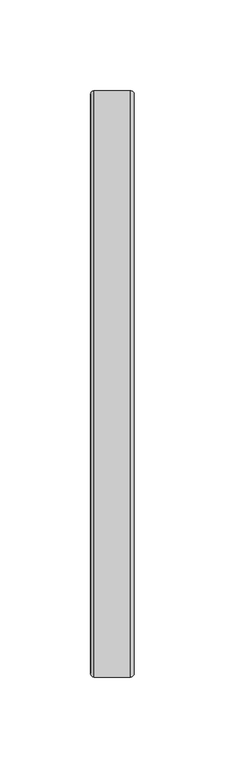
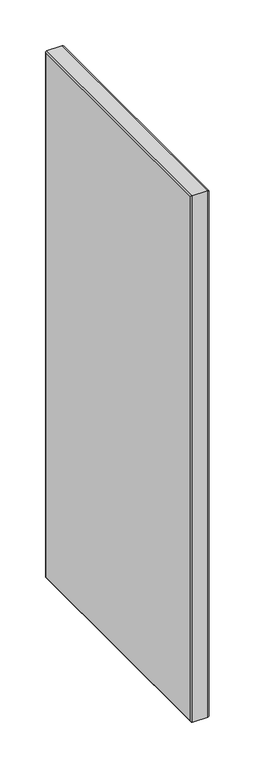
"""IFC4 building model written with IfcOpenShell, lengths in millimetres: furniture geometry."""

from ifc_helpers import new_model, si_unit, frame, origin, place, context, project, spatial, polyline, ellipse_curve, outline, extrude, source, transform, mapped, element, save
from ifc_brep_helpers import plane_surface, cylinder_surface, advanced_brep


def furniture_b4161300(model_context):
    return source(origin(), model_context, "Body", "SolidModel", [
        extrude(outline(polyline([(0.0254, -247.1166), (0.0254, 71.9582), (24.0253997, 71.9582), (24.0253997, -247.1166), (0.0254, -247.1166)])), frame((0.0, 0.0, 1.9812), z_axis=(0.0, 0.0, 1.0), x_axis=(1.0, 0.0, 0.0)), (0.0, 0.0, 1.0), 707.2122),
        advanced_brep(
        [(24.0253997, -247.1166, 709.1934), (22.0187997, -249.1232, 711.2), (22.0187997, -249.1232, -0.0254), (24.0253997, -247.1166, 1.9812), (2.032, -249.1232, 711.2), (2.032, -249.1232, -0.0254), (0.0254, -247.1166, 709.1934), (0.0254, -247.1166, 1.9812), (22.0187997, 73.9648, -0.0254), (24.0253997, 71.9582, 1.9812), (2.032, 73.9648, -0.0254), (0.0254, 71.9582, 1.9812), (22.0187997, 73.9648, 711.2), (24.0253997, 71.9582, 709.1934), (2.032, 73.9648, 711.2), (0.0254, 71.9582, 709.1934)],
        [
            (0, 1, ellipse_curve(frame((22.0187997, -247.1166, 709.1934), z_axis=(0.0, -0.7071067811865475, -0.7071067811865475), x_axis=(0.0, -0.7071067811865474, 0.7071067811865476)), 2.8377609, 2.0066)),
            (1, 2),
            (2, 3, ellipse_curve(frame((22.0187997, -247.1166, 1.9812), z_axis=(0.0, -0.7071067811865475, 0.7071067811865475), x_axis=(0.0, 0.7071067811865474, 0.7071067811865476)), 2.8377609, 2.0066)),
            (3, 0),
            (1, 4),
            (4, 5),
            (5, 2),
            (4, 6, ellipse_curve(frame((2.032, -247.1166, 709.1934), z_axis=(0.0, -0.7071067811865475, -0.7071067811865475), x_axis=(0.0, -0.7071067811865474, 0.7071067811865476)), 2.8377609, 2.0066)),
            (6, 7),
            (7, 5, ellipse_curve(frame((2.032, -247.1166, 1.9812), z_axis=(0.0, -0.7071067811865475, 0.7071067811865475), x_axis=(0.0, 0.7071067811865474, 0.7071067811865476)), 2.8377609, 2.0066)),
            (6, 0),
            (3, 7),
            (2, 8),
            (8, 9, ellipse_curve(frame((22.0187997, 71.9582, 1.9812), z_axis=(0.0, -0.7071067811865475, -0.7071067811865475), x_axis=(0.0, -0.7071067811865476, 0.7071067811865474)), 2.8377609, 2.0066)),
            (9, 3),
            (5, 10),
            (10, 8),
            (7, 11),
            (11, 10, ellipse_curve(frame((2.032, 71.9582, 1.9812), z_axis=(0.0, -0.7071067811865475, -0.7071067811865475), x_axis=(0.0, -0.7071067811865476, 0.7071067811865474)), 2.8377609, 2.0066)),
            (9, 11),
            (8, 12),
            (12, 13, ellipse_curve(frame((22.0187997, 71.9582, 709.1934), z_axis=(0.0, 0.7071067811865475, -0.7071067811865475), x_axis=(0.0, -0.7071067811865474, -0.7071067811865476)), 2.8377609, 2.0066)),
            (13, 9),
            (10, 14),
            (14, 12),
            (11, 15),
            (15, 14, ellipse_curve(frame((2.032, 71.9582, 709.1934), z_axis=(0.0, 0.7071067811865475, -0.7071067811865475), x_axis=(0.0, -0.7071067811865474, -0.7071067811865476)), 2.8377609, 2.0066)),
            (13, 15),
            (12, 1),
            (0, 13),
            (14, 4),
            (15, 6),
        ],
        [
            cylinder_surface(frame((22.0187997, -247.1166, 709.1934), z_axis=(0.0, 0.0, 1.0), x_axis=(0.0, -1.0, 0.0)), 2.0066),
            plane_surface(frame((2.032, -249.1232, 711.2), z_axis=(0.0, -1.0, 0.0), x_axis=(0.0, 0.0, -1.0))),
            cylinder_surface(frame((2.032, -247.1166, 709.1934), z_axis=(0.0, 0.0, 1.0), x_axis=(0.0, -1.0, 0.0)), 2.0066),
            plane_surface(frame((24.0253997, -247.1166, 709.1934), z_axis=(0.0, 1.0, 0.0), x_axis=(0.0, 0.0, -1.0))),
            cylinder_surface(frame((22.0187997, -247.1166, 1.9812), z_axis=(0.0, -1.0, 0.0), x_axis=(0.0, 0.0, -1.0)), 2.0066),
            plane_surface(frame((2.032, -249.1232, -0.0254), z_axis=(0.0, 0.0, -1.0), x_axis=(0.0, 1.0, 0.0))),
            cylinder_surface(frame((2.032, -247.1166, 1.9812), z_axis=(0.0, -1.0, 0.0), x_axis=(0.0, 0.0, -1.0)), 2.0066),
            plane_surface(frame((24.0253997, -247.1166, 1.9812), z_axis=(0.0, 0.0, 1.0), x_axis=(0.0, 1.0, 0.0))),
            cylinder_surface(frame((22.0187997, 71.9582, 1.9812), z_axis=(0.0, 0.0, -1.0), x_axis=(0.0, 1.0, 0.0)), 2.0066),
            plane_surface(frame((2.032, 73.9648, -0.0254), z_axis=(0.0, 1.0, 0.0), x_axis=(0.0, 0.0, 1.0))),
            cylinder_surface(frame((2.032, 71.9582, 1.9812), z_axis=(0.0, 0.0, -1.0), x_axis=(0.0, 1.0, 0.0)), 2.0066),
            plane_surface(frame((24.0253997, 71.9582, 1.9812), z_axis=(0.0, -1.0, 0.0), x_axis=(0.0, 0.0, 1.0))),
            cylinder_surface(frame((22.0187997, 71.9582, 709.1934), z_axis=(0.0, 1.0, 0.0), x_axis=(0.0, 0.0, 1.0)), 2.0066),
            plane_surface(frame((2.032, 73.9648, 711.2), z_axis=(0.0, 0.0, 1.0), x_axis=(0.0, -1.0, 0.0))),
            cylinder_surface(frame((2.032, 71.9582, 709.1934), z_axis=(0.0, 1.0, 0.0), x_axis=(0.0, 0.0, 1.0)), 2.0066),
            plane_surface(frame((24.0253997, 71.9582, 709.1934), z_axis=(0.0, 0.0, -1.0), x_axis=(0.0, -1.0, 0.0))),
        ],
        [
            (0, [[1, 2, 3, 4]]),
            (1, [[5, 6, 7, -2]]),
            (2, [[8, 9, 10, -6]]),
            (3, [[11, -4, 12, -9]]),
            (4, [[-3, 13, 14, 15]]),
            (5, [[-7, 16, 17, -13]]),
            (6, [[-10, 18, 19, -16]]),
            (7, [[-12, -15, 20, -18]]),
            (8, [[-14, 21, 22, 23]]),
            (9, [[-17, 24, 25, -21]]),
            (10, [[-19, 26, 27, -24]]),
            (11, [[-20, -23, 28, -26]]),
            (12, [[-22, 29, -1, 30]]),
            (13, [[-25, 31, -5, -29]]),
            (14, [[-27, 32, -8, -31]]),
            (15, [[-28, -30, -11, -32]]),
        ],
    ),
    ])


if __name__ == "__main__":
    model = new_model("IFC4")
    model_context = context("Model", 3, world=origin())
    ifc_project = project(units=[si_unit("LENGTHUNIT", "METRE", prefix="MILLI")], contexts=[model_context])
    site = spatial("IfcSite", under=ifc_project)
    building = spatial("IfcBuilding", under=site)
    placement = place(None, origin())
    furniture_shape = furniture_b4161300(model_context)
    element("IfcFurniture", 1, at=placement, inside=building, context=model_context, shape_type="MappedRepresentation", body=[
        mapped(furniture_shape, transform((0.0, 0.0, 0.0), x_axis=(1.0, 0.0, 0.0), y_axis=(0.0, 1.0, 0.0), z_axis=(0.0, 0.0, 1.0))),
    ])
    save(model, "model.ifc")
